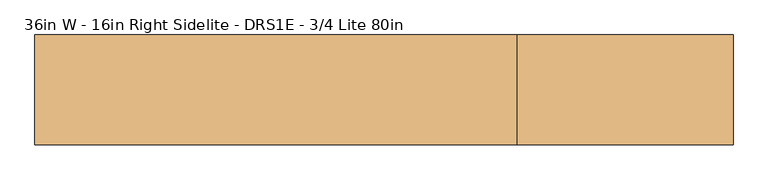
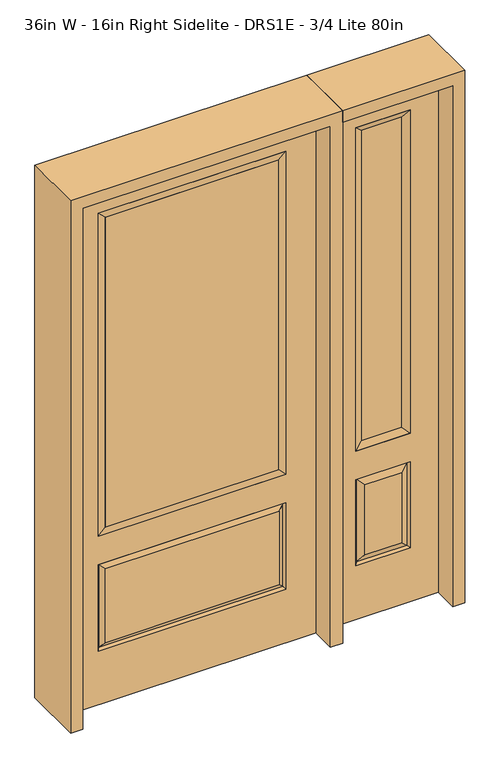
"""IFC4 building model written with IfcOpenShell, lengths in millimetres: door geometry, 36in W - 16in Right Sidelite - DRS1E - 3/4 Lite 80in."""

from ifc_helpers import new_model, si_unit, frame, origin, place, context, project, spatial, polyline, outline, extrude, faceted_brep, source, transform, mapped, element, save


def door_36in_w_16in_right_sidelite_drs1e_3_4_lite_80in_91f336fb(model_context):
    return source(origin(), model_context, "Body", "SolidModel", [
        faceted_brep([(501.65, -22.225, 0.0), (908.05, -22.225, 0.0), (908.05, -22.225, 2032.0), (501.65, -22.225, 2032.0), (805.18, -22.225, 1919.224), (805.18, -22.225, 657.098), (604.52, -22.225, 657.098), (604.52, -22.225, 1919.224), (805.18, -22.225, 209.55), (604.52, -22.225, 209.55), (604.52, -22.225, 546.1), (805.18, -22.225, 546.1), (636.2351001, -22.225, 241.2651001), (773.4648999, -22.225, 241.2651001), (773.4648999, -22.225, 514.3848999), (636.2351001, -22.225, 514.3848999), (501.65, 22.225, 0.0), (501.65, 22.225, 2032.0), (908.05, 22.225, 2032.0), (908.05, 22.225, 0.0), (805.18, 22.225, 1919.224), (604.52, 22.225, 1919.224), (604.52, 22.225, 657.098), (805.18, 22.225, 657.098), (604.52, 22.225, 209.55), (805.18, 22.225, 209.55), (805.18, 22.225, 546.1), (604.52, 22.225, 546.1), (773.4648999, 22.225, 241.2651001), (636.2351001, 22.225, 241.2651001), (636.2351001, 22.225, 514.3848999), (773.4648999, 22.225, 514.3848999), (798.0711499, 12.7912373, 216.6588501), (611.6288501, 12.7912373, 216.6588501), (611.6288501, 12.7912373, 538.9911499), (798.0711499, 12.7912373, 538.9911499), (611.6288501, -12.7912373, 216.6588501), (798.0711499, -12.7912373, 216.6588501), (611.6288501, -12.7912373, 538.9911499), (798.0711499, -12.7912373, 538.9911499)], [[[0, 1, 2, 3], [4, 5, 6, 7], [8, 9, 10, 11]], [[12, 13, 14, 15]], [[16, 17, 18, 19], [20, 21, 22, 23], [24, 25, 26, 27]], [[28, 29, 30, 31]], [[1, 0, 16, 19]], [[2, 1, 19, 18]], [[3, 2, 18, 17]], [[0, 3, 17, 16]], [[5, 4, 20, 23]], [[6, 5, 23, 22]], [[7, 6, 22, 21]], [[4, 7, 21, 20]], [[32, 33, 29, 28]], [[33, 32, 25, 24]], [[29, 33, 34, 30]], [[33, 24, 27, 34]], [[30, 34, 35, 31]], [[34, 27, 26, 35]], [[32, 28, 31, 35]], [[25, 32, 35, 26]], [[12, 36, 37, 13]], [[37, 36, 9, 8]], [[36, 12, 15, 38]], [[9, 36, 38, 10]], [[38, 15, 14, 39]], [[10, 38, 39, 11]], [[13, 37, 39, 14]], [[37, 8, 11, 39]]]),
        faceted_brep([(604.52, 22.225, 1919.224), (604.52, -22.225, 1919.224), (805.18, -22.225, 1919.224), (805.18, 22.225, 1919.224), (629.92, 12.7, 1893.824), (779.78, 12.7, 1893.824), (629.92, -12.7, 1893.824), (779.78, -12.7, 1893.824), (805.18, -22.225, 657.098), (805.18, 22.225, 657.098), (779.78, 12.7, 682.498), (779.78, -12.7, 682.498), (604.52, -22.225, 657.098), (604.52, 22.225, 657.098), (629.92, 12.7, 682.498), (629.92, -12.7, 682.498)], [[[0, 1, 2, 3]], [[4, 0, 3, 5]], [[6, 4, 5, 7]], [[1, 6, 7, 2]], [[3, 2, 8, 9]], [[5, 3, 9, 10]], [[7, 5, 10, 11]], [[2, 7, 11, 8]], [[9, 8, 12, 13]], [[10, 9, 13, 14]], [[11, 10, 14, 15]], [[8, 11, 15, 12]], [[13, 12, 1, 0]], [[14, 13, 0, 4]], [[15, 14, 4, 6]], [[12, 15, 6, 1]]]),
        extrude(outline(polyline([(779.78, -12.7), (629.92, -12.7), (629.92, 12.7), (779.78, 12.7), (779.78, -12.7)])), frame((0.0, 0.0, 682.498), z_axis=(0.0, 0.0, 1.0), x_axis=(1.0, 0.0, 0.0)), (0.0, 0.0, 1.0), 1211.326),
        faceted_brep([(-338.9661499, -12.7912373, 216.6588501), (338.9661499, -12.7912373, 216.6588501), (321.46875, -22.225, 234.15625), (-321.46875, -22.225, 234.15625), (-346.075, -22.225, 209.55), (346.075, -22.225, 209.55), (-338.9661499, -12.7912373, 538.9911499), (-346.075, -22.225, 546.1), (321.46875, -22.225, 521.49375), (-321.46875, -22.225, 521.49375), (457.2, -22.225, 2032.0), (-457.2, -22.225, 2032.0), (-457.2, -22.225, 0.0), (457.2, -22.225, 0.0), (346.075, -22.225, 546.1), (346.075, -22.225, 1917.7), (346.075, -22.225, 657.098), (-346.075, -22.225, 657.098), (-346.075, -22.225, 1917.7), (338.9661499, -12.7912373, 538.9911499), (-457.2, 22.225, 2032.0), (-457.2, 22.225, 0.0), (457.2, 22.225, 0.0), (457.2, 22.225, 2032.0), (346.075, 22.225, 1917.7), (346.075, 22.225, 657.098), (-346.075, 22.225, 657.098), (-346.075, 22.225, 1917.7), (-346.075, 22.225, 209.55), (346.075, 22.225, 209.55), (346.075, 22.225, 546.1), (-346.075, 22.225, 546.1), (321.46875, 22.225, 234.15625), (-321.46875, 22.225, 234.15625), (-321.46875, 22.225, 521.49375), (321.46875, 22.225, 521.49375), (-338.9661499, 12.7912373, 216.6588501), (338.9661499, 12.7912373, 216.6588501), (338.9661499, 12.7912373, 538.9911499), (-338.9661499, 12.7912373, 538.9911499)], [[[0, 1, 2, 3]], [[1, 0, 4, 5]], [[4, 0, 6, 7]], [[3, 2, 8, 9]], [[10, 11, 12, 13], [5, 4, 7, 14], [15, 16, 17, 18]], [[1, 5, 14, 19]], [[2, 1, 19, 8]], [[0, 3, 9, 6]], [[7, 6, 19, 14]], [[6, 9, 8, 19]], [[12, 11, 20, 21]], [[13, 12, 21, 22]], [[10, 13, 22, 23]], [[16, 15, 24, 25]], [[17, 16, 25, 26]], [[18, 17, 26, 27]], [[23, 22, 21, 20], [28, 29, 30, 31], [24, 27, 26, 25]], [[32, 33, 34, 35]], [[28, 36, 37, 29]], [[29, 37, 38, 30]], [[39, 31, 30, 38]], [[36, 28, 31, 39]], [[37, 36, 33, 32]], [[33, 36, 39, 34]], [[34, 39, 38, 35]], [[37, 32, 35, 38]], [[11, 10, 23, 20]], [[15, 18, 27, 24]]]),
        faceted_brep([(-346.075, -22.225, 1917.7), (-346.075, 22.225, 1917.7), (-346.075, 22.225, 657.098), (-346.075, -22.225, 657.098), (346.075, 22.225, 657.098), (346.075, -22.225, 657.098), (-320.675, 5.08, 682.498), (320.675, 5.08, 682.498), (346.075, 22.225, 1917.7), (346.075, -22.225, 1917.7), (-320.675, -20.32, 682.498), (320.675, -20.32, 682.498), (-320.675, -20.32, 1892.3), (320.675, -20.32, 1892.3), (-320.675, 5.08, 1892.3), (320.675, 5.08, 1892.3)], [[[0, 1, 2, 3]], [[3, 2, 4, 5]], [[2, 6, 7, 4]], [[5, 4, 8, 9]], [[10, 3, 5, 11]], [[12, 0, 3, 10]], [[11, 5, 9, 13]], [[6, 10, 11, 7]], [[14, 12, 10, 6]], [[7, 11, 13, 15]], [[1, 14, 6, 2]], [[4, 7, 15, 8]], [[9, 8, 1, 0]], [[13, 9, 0, 12]], [[15, 13, 12, 14]], [[8, 15, 14, 1]]]),
        extrude(outline(polyline([(320.675, -20.32), (-320.675, -20.32), (-320.675, 5.08), (320.675, 5.08), (320.675, -20.32)])), frame((0.0, 0.0, 682.498), z_axis=(0.0, 0.0, 1.0), x_axis=(1.0, 0.0, 0.0)), (0.0, 0.0, 1.0), 1209.802),
        extrude(outline(polyline([(2076.45, -501.65), (0.0, -501.65), (0.0, -457.2), (2032.0, -457.2), (2032.0, 457.2), (0.0, 457.2), (0.0, 501.65), (2076.45, 501.65), (2076.45, -501.65)])), frame((0.0, -114.3, 0.0), z_axis=(0.0, 1.0, 0.0), x_axis=(0.0, 0.0, 1.0)), (0.0, 0.0, 1.0), 228.6),
        extrude(outline(polyline([(0.0, 908.05), (0.0, 952.5), (2076.45, 952.5), (2076.45, 501.65), (2032.0, 501.65), (2032.0, 908.05), (0.0, 908.05)])), frame((0.0, -114.3, 0.0), z_axis=(0.0, 1.0, 0.0), x_axis=(0.0, 0.0, 1.0)), (0.0, 0.0, 1.0), 228.6),
    ])


if __name__ == "__main__":
    model = new_model("IFC4")
    model_context = context("Model", 3, world=origin())
    ifc_project = project(units=[si_unit("LENGTHUNIT", "METRE", prefix="MILLI")], contexts=[model_context])
    site = spatial("IfcSite", under=ifc_project)
    building = spatial("IfcBuilding", under=site)
    placement = place(None, origin())
    door_36in_w_16in_right_sidelite_drs1e_3_4_lite_80in_shape = door_36in_w_16in_right_sidelite_drs1e_3_4_lite_80in_91f336fb(model_context)
    element("IfcDoor", 1, ObjectType="36in W - 16in Right Sidelite - DRS1E - 3/4 Lite 80in", at=placement, inside=building, context=model_context, shape_type="MappedRepresentation", body=[
        mapped(door_36in_w_16in_right_sidelite_drs1e_3_4_lite_80in_shape, transform((0.0, 0.0, 0.0), x_axis=(1.0, 0.0, 0.0), y_axis=(0.0, 1.0, 0.0), z_axis=(0.0, 0.0, 1.0))),
    ])
    save(model, "model.ifc")
